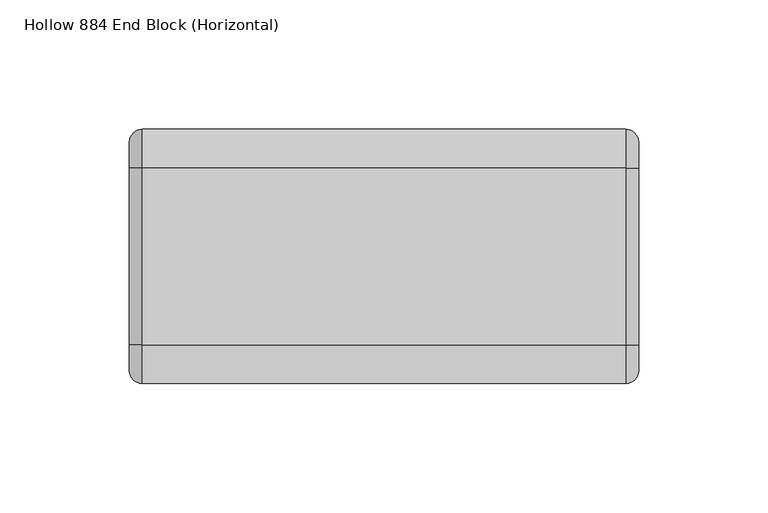
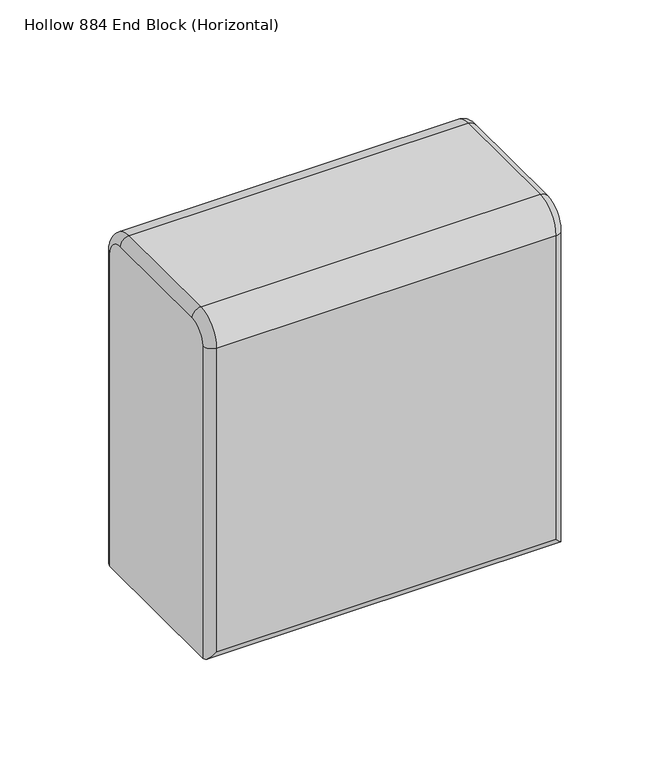
"""IFC4 building model written with IfcOpenShell, lengths in millimetres: plate geometry, Hollow 884 End Block (Horizontal)."""

import ifcopenshell
import ifcopenshell.guid

model = None  # the IFC model being written
_history = None  # IfcOwnerHistory: only IFC2X3 demands one
_inside = {}  # id of a spatial element -> (the spatial element, [elements in it])
_under = {}  # id of a project, library or spatial element -> (it, [spatial elements below it])
_declared = {}  # id of a project -> (the project, [libraries it declares])
_typed = {}  # id of a type object -> (the type object, [elements of that type])
_made_of = {}  # id of a material, layer set ... -> (it, [elements and type objects made of it])


def new_model(schema):
    """Start an empty IFC model of exactly this schema.

    Asked for "IFC4X3", IfcOpenShell would pick the latest addendum, in which some entities
    have other attributes; the version numbers below select the first issue.
    IFC2X3 requires an IfcOwnerHistory on every rooted entity: one is made here for all.
    """
    global model, _history
    if schema == "IFC4X3":
        model = ifcopenshell.file(schema_version=(4, 3, 0, 0))
    else:
        model = ifcopenshell.file(schema=schema)
    _inside.clear()
    _under.clear()
    _declared.clear()
    _typed.clear()
    _made_of.clear()
    _history = None
    if model.schema == "IFC2X3":
        org = make("IfcOrganization", Name="unknown")
        user = make(
            "IfcPersonAndOrganization",
            ThePerson=make("IfcPerson", FamilyName="unknown"),
            TheOrganization=org,
        )
        app = make(
            "IfcApplication",
            ApplicationDeveloper=org,
            Version="unknown",
            ApplicationFullName="unknown",
            ApplicationIdentifier="unknown",
        )
        _history = make(
            "IfcOwnerHistory",
            OwningUser=user,
            OwningApplication=app,
            ChangeAction="ADDED",
            CreationDate=0,
        )
    return model


def make(cls, **values):
    """One entity of the class cls with the attributes given. An attribute that is None is left unset."""
    return model.create_entity(
        cls, **{name: value for name, value in values.items() if value is not None}
    )


def rooted(cls, **values):
    """An entity with a GlobalId (a new one), such as an element, a storey or a relation."""
    return make(cls, GlobalId=ifcopenshell.guid.new(), OwnerHistory=_history, **values)


def si_unit(unit_type, name, prefix=None):
    """IfcSIUnit, for example si_unit("LENGTHUNIT", "METRE", prefix="MILLI")."""
    return make("IfcSIUnit", UnitType=unit_type, Prefix=prefix, Name=name)


def assignment(units):
    """IfcUnitAssignment: the units of a project."""
    return None if units is None else make("IfcUnitAssignment", Units=units)


def point(xyz):
    """IfcCartesianPoint."""
    return None if xyz is None else make("IfcCartesianPoint", Coordinates=xyz)


def direction(xyz):
    """IfcDirection."""
    return None if xyz is None else make("IfcDirection", DirectionRatios=xyz)


def frame(location, z_axis=None, x_axis=None):
    """IfcAxis2Placement3D, a coordinate frame: its origin and axes. An axis left out is left unset."""
    return make(
        "IfcAxis2Placement3D",
        Location=point(location),
        Axis=direction(z_axis),
        RefDirection=direction(x_axis),
    )


def origin():
    """The frame at (0, 0, 0) with its axes left unset."""
    return frame((0.0, 0.0, 0.0))


def place(relative_to, where):
    """IfcLocalPlacement: puts the frame where relative to a parent placement (None: the world)."""
    return make(
        "IfcLocalPlacement", PlacementRelTo=relative_to, RelativePlacement=where
    )


def context(
    kind, dimensions, precision=None, world=None, true_north=None, identifier=None
):
    """IfcGeometricRepresentationContext, for example the 3D "Model" context."""
    return make(
        "IfcGeometricRepresentationContext",
        ContextIdentifier=identifier,
        ContextType=kind,
        CoordinateSpaceDimension=dimensions,
        Precision=precision,
        WorldCoordinateSystem=world,
        TrueNorth=true_north,
    )


def project(units=None, contexts=None):
    """IfcProject with its units and contexts."""
    return rooted(
        "IfcProject",
        Name="project",
        RepresentationContexts=contexts,
        UnitsInContext=assignment(units),
    )


def spatial(cls, under=None, at=None, **own):
    """A site, building, storey or space (cls), placed at a placement, below another one or the project."""
    s = rooted(cls, ObjectPlacement=at, **own)
    if under is not None:
        _under.setdefault(under.id(), (under, []))[1].append(s)
    return s


def circle_curve(where, radius):
    """IfcCircle in the frame where."""
    return make("IfcCircle", Position=where, Radius=radius)


def ellipse_curve(where, semi_axis1, semi_axis2):
    """IfcEllipse in the frame where."""
    return make(
        "IfcEllipse", Position=where, SemiAxis1=semi_axis1, SemiAxis2=semi_axis2
    )


def trimmed(basis, trim1, trim2, sense, master):
    """IfcTrimmedCurve: the piece of a basis curve between two trims."""
    return make(
        "IfcTrimmedCurve",
        BasisCurve=basis,
        Trim1=trim1,
        Trim2=trim2,
        SenseAgreement=sense,
        MasterRepresentation=master,
    )


def shape(context_of_items, identifier, shape_type, items):
    """IfcShapeRepresentation: the items that make up one representation, for example the "Body"."""
    return make(
        "IfcShapeRepresentation",
        ContextOfItems=context_of_items,
        RepresentationIdentifier=identifier,
        RepresentationType=shape_type,
        Items=items,
    )


def source(mapping_origin, context_of_items, identifier, shape_type, items):
    """IfcRepresentationMap: a shape defined once, which mapped items show again and again."""
    return make(
        "IfcRepresentationMap",
        MappingOrigin=mapping_origin,
        MappedRepresentation=shape(context_of_items, identifier, shape_type, items),
    )


def transform(
    local_origin,
    x_axis=None,
    y_axis=None,
    z_axis=None,
    scale=None,
    scale2=None,
    scale3=None,
    uniform=True,
):
    """IfcCartesianTransformationOperator3D, or its non-uniform kind. x_axis, y_axis, z_axis: its Axis1, 2, 3."""
    if uniform:
        return make(
            "IfcCartesianTransformationOperator3D",
            Axis1=direction(x_axis),
            Axis2=direction(y_axis),
            LocalOrigin=point(local_origin),
            Scale=scale,
            Axis3=direction(z_axis),
        )
    return make(
        "IfcCartesianTransformationOperator3DnonUniform",
        Axis1=direction(x_axis),
        Axis2=direction(y_axis),
        LocalOrigin=point(local_origin),
        Scale=scale,
        Axis3=direction(z_axis),
        Scale2=scale2,
        Scale3=scale3,
    )


def mapped(mapping_source, mapping_target):
    """IfcMappedItem: shows the shape of a source again, moved by a transform."""
    return make(
        "IfcMappedItem", MappingSource=mapping_source, MappingTarget=mapping_target
    )


def made_of(thing, what):
    """Note that an element or type object is made of a material, layer set ...; save() writes the relation."""
    if what is not None:
        _made_of.setdefault(what.id(), (what, []))[1].append(thing)
    return thing


def element(
    cls,
    number,
    at=None,
    inside=None,
    cuts=None,
    type_object=None,
    material=None,
    context=None,
    identifier="Body",
    shape_type=None,
    held_by="IfcProductDefinitionShape",
    body=None,
    shapes=None,
    **own,
):
    """One element of the class cls, such as IfcWall. Its Tag is "e" and its number.

    at: its placement. inside: the storey or other place that contains it. cuts: it is an
    opening in that element (IfcRelVoidsElement). A single representation is given by context,
    identifier, shape_type and body (its items); several are given by shapes. held_by: the class
    of the entity that holds the representations. save() writes the other relations.
    """
    e = rooted(cls, Tag="e%d" % number, ObjectPlacement=at, **own)
    if body is not None:
        shapes = [shape(context, identifier, shape_type, body)]
    if shapes is not None:
        e.Representation = make(held_by, Representations=shapes)
    if inside is not None:
        _inside.setdefault(inside.id(), (inside, []))[1].append(e)
    if cuts is not None:
        rooted(
            "IfcRelVoidsElement", RelatingBuildingElement=cuts, RelatedOpeningElement=e
        )
    if type_object is not None:
        _typed.setdefault(type_object.id(), (type_object, []))[1].append(e)
    return made_of(e, material)


def aggregate(whole, parts):
    """IfcRelAggregates: a whole, such as a stair, and the parts it consists of."""
    return rooted("IfcRelAggregates", RelatingObject=whole, RelatedObjects=parts)


def save(model, path):
    """Write the relations noted so far, then the file.

    IfcRelAggregates (storeys below a building ...), IfcRelContainedInSpatialStructure (elements
    in a storey), IfcRelDefinesByType, IfcRelAssociatesMaterial and IfcRelDeclares: one each for
    every whole, place, type object, material and project.
    """
    for whole, parts in _under.values():
        aggregate(whole, parts)
    for where, things in _inside.values():
        rooted(
            "IfcRelContainedInSpatialStructure",
            RelatedElements=things,
            RelatingStructure=where,
        )
    for kind, things in _typed.values():
        rooted("IfcRelDefinesByType", RelatedObjects=things, RelatingType=kind)
    for what, things in _made_of.values():
        rooted("IfcRelAssociatesMaterial", RelatedObjects=things, RelatingMaterial=what)
    for by, libraries in _declared.values():
        rooted("IfcRelDeclares", RelatingContext=by, RelatedDefinitions=libraries)
    model.write(path)


def plane_surface(at):
    """IfcPlane: the flat surface through the origin of the frame at, square to its z axis."""
    return make("IfcPlane", Position=at)


def cylinder_surface(at, radius):
    """IfcCylindricalSurface: all points at the distance radius from the z axis of the frame at."""
    return make("IfcCylindricalSurface", Position=at, Radius=radius)


def revolved_surface(curve, axis_point, axis_direction):
    """IfcSurfaceOfRevolution: the curve turned about the line through axis_point along axis_direction."""
    return make(
        "IfcSurfaceOfRevolution",
        SweptCurve=make("IfcArbitraryOpenProfileDef", ProfileType="CURVE", Curve=curve),
        AxisPosition=make("IfcAxis1Placement", Location=point(axis_point), Axis=direction(axis_direction)),
    )


def advanced_brep(points, edges, surfaces, faces):
    """IfcAdvancedBrep: a solid bounded by faces that lie on surfaces and meet in shared edges.

    An edge is (start, end): straight between two places in points (the first is 0);
    or (start, end, curve); or (start, end, curve, False) where it runs against its curve.
    A face is (place in surfaces, loops), or (place, loops, False) where it looks against
    its surface's normal. A loop lists edges by number (the first is 1), with a minus sign
    where the edge is run from its end to its start. The first loop is the outer one.
    """
    corners = [point(p) for p in points]
    vertices = [make("IfcVertexPoint", VertexGeometry=c) for c in corners]
    made = []
    for start, end, *more in edges:
        made.append(
            make(
                "IfcEdgeCurve",
                EdgeStart=vertices[start],
                EdgeEnd=vertices[end],
                EdgeGeometry=more[0] if more else make("IfcPolyline", Points=[corners[start], corners[end]]),
                SameSense=more[1] if len(more) > 1 else True,
            )
        )
    hull = []
    for where, loops, *sense in faces:
        bounds = []
        for j, loop in enumerate(loops):
            ring = [make("IfcOrientedEdge", EdgeElement=made[abs(k) - 1], Orientation=k > 0) for k in loop]
            bounds.append(
                make(
                    "IfcFaceOuterBound" if j == 0 else "IfcFaceBound",
                    Bound=make("IfcEdgeLoop", EdgeList=ring),
                    Orientation=True,
                )
            )
        hull.append(make("IfcAdvancedFace", Bounds=bounds, FaceSurface=surfaces[where], SameSense=sense[0] if sense else True))
    return make("IfcAdvancedBrep", Outer=make("IfcClosedShell", CfsFaces=hull))


def hollow_884_end_block_horizontal_271bc5ed(model_context):
    return source(origin(), model_context, "Body", "AdvancedBrep", [
        advanced_brep(
        [(98.4250002, -44.2, 0.0), (98.4250002, 44.2, 0.0), (98.4250002, 44.2, 182.0), (98.4250002, 34.2, 192.0), (98.4250002, -34.2, 192.0), (98.4250002, -44.2, 182.0), (-98.4250002, 44.2, 0.0), (-98.4250002, -44.2, 0.0), (-98.4250002, -44.2, 182.0), (-98.4250002, -34.2, 192.0), (-98.4250002, 34.2, 192.0), (-98.4250002, 44.2, 182.0), (93.4250047, -49.2, 182.0), (-93.4250002, -49.2, 182.0), (-93.4250002, -49.2, 5.0), (93.4250002, -49.2, 5.0), (-93.4250047, 49.2, 182.0), (93.4250002, 49.2, 182.0), (93.4250002, 49.2, 5.0), (-93.4250002, 49.2, 5.0), (93.4250047, 34.2, 197.0), (-93.4250002, 34.2, 197.0), (-93.4250002, -34.2, 197.0), (93.4250002, -34.2, 197.0)],
        [
            (0, 1),
            (1, 2),
            (2, 3, circle_curve(frame((98.4250002, 34.2, 182.0), z_axis=(1.0, 0.0, 0.0), x_axis=(0.0, 1.0, 0.0)), 10.0)),
            (3, 4),
            (4, 5, circle_curve(frame((98.4250002, -34.2, 182.0), z_axis=(1.0, 0.0, 0.0), x_axis=(0.0, 0.0, 1.0)), 10.0)),
            (5, 0),
            (6, 7),
            (7, 8),
            (8, 9, circle_curve(frame((-98.4250002, -34.2, 182.0), z_axis=(-1.0, 0.0, 0.0), x_axis=(0.0, -1.0, 0.0)), 10.0)),
            (9, 10),
            (10, 11, circle_curve(frame((-98.4250002, 34.2, 182.0), z_axis=(-1.0, 0.0, 0.0), x_axis=(0.0, 0.0, 1.0)), 10.0)),
            (11, 6),
            (12, 13),
            (13, 14),
            (14, 15),
            (15, 12),
            (0, 7),
            (6, 1),
            (16, 17),
            (17, 18),
            (18, 19),
            (19, 16),
            (20, 21),
            (21, 22),
            (22, 23),
            (23, 20),
            (12, 23, circle_curve(frame((93.4250002, -34.2, 182.0), z_axis=(-1.0, 0.0, 0.0), x_axis=(0.0, 1.0, 0.0)), 15.0)),
            (22, 13, circle_curve(frame((-93.4250002, -34.2, 182.0), z_axis=(1.0, 0.0, 0.0), x_axis=(0.0, 1.0, 0.0)), 15.0)),
            (20, 17, circle_curve(frame((93.4250002, 34.2, 182.0), z_axis=(-1.0, 0.0, 0.0), x_axis=(0.0, 1.0, 0.0)), 15.0)),
            (16, 21, circle_curve(frame((-93.4250002, 34.2, 182.0), z_axis=(1.0, 0.0, 0.0), x_axis=(0.0, 1.0, 0.0)), 15.0)),
            (14, 7, ellipse_curve(frame((-93.4250002, -44.2, 5.0), z_axis=(0.7071067811865475, 0.0, -0.7071067811865475), x_axis=(-0.7071067811865476, 0.0, -0.7071067811865474)), 7.0710678, 5.0)),
            (0, 15, ellipse_curve(frame((93.4250002, -44.2, 5.0), z_axis=(-0.7071067811865475, 0.0, -0.7071067811865475), x_axis=(-0.7071067811865476, 0.0, 0.7071067811865474)), 7.0710678, 5.0)),
            (13, 8, circle_curve(frame((-93.4250002, -44.2, 182.0), z_axis=(0.0, 0.0, -1.0), x_axis=(-1.0, 0.0, 0.0)), 5.0)),
            (22, 9, circle_curve(frame((-93.4250002, -34.2, 192.0), z_axis=(0.0, -1.0, 0.0), x_axis=(-1.0, 0.0, 0.0)), 5.0)),
            (21, 10, circle_curve(frame((-93.4250002, 34.2, 192.0), z_axis=(0.0, -1.0, 0.0), x_axis=(-1.0, 0.0, 0.0)), 5.0)),
            (16, 11, circle_curve(frame((-93.4250002, 44.2, 182.0), z_axis=(0.0, 0.0, 1.0), x_axis=(-1.0, 0.0, 0.0)), 5.0)),
            (19, 6, ellipse_curve(frame((-93.4250002, 44.2, 5.0), z_axis=(-0.7071067811865475, 0.0, 0.7071067811865475), x_axis=(-0.7071067811865474, 0.0, -0.7071067811865476)), 7.0710678, 5.0)),
            (18, 1, ellipse_curve(frame((93.4250002, 44.2, 5.0), z_axis=(-0.7071067811865475, 0.0, -0.7071067811865475), x_axis=(0.7071067811865476, 0.0, -0.7071067811865474)), 7.0710678, 5.0)),
            (17, 2, circle_curve(frame((93.4250002, 44.2, 182.0), z_axis=(0.0, 0.0, -1.0), x_axis=(1.0, 0.0, 0.0)), 5.0)),
            (20, 3, circle_curve(frame((93.4250002, 34.2, 192.0), z_axis=(0.0, 1.0, 0.0), x_axis=(1.0, 0.0, 0.0)), 5.0)),
            (23, 4, circle_curve(frame((93.4250002, -34.2, 192.0), z_axis=(0.0, 1.0, 0.0), x_axis=(1.0, 0.0, 0.0)), 5.0)),
            (12, 5, circle_curve(frame((93.4250002, -44.2, 182.0), z_axis=(0.0, 0.0, 1.0), x_axis=(1.0, 0.0, 0.0)), 5.0)),
        ],
        [
            plane_surface(frame((98.4250002, -19.2, 182.0), z_axis=(1.0, 0.0, 0.0), x_axis=(0.0, 0.0, 1.0))),
            plane_surface(frame((-98.4250002, -19.2, 182.0), z_axis=(-1.0, 0.0, 0.0), x_axis=(0.0, 0.0, -1.0))),
            plane_surface(frame((98.4250002, -49.2, 182.0), z_axis=(0.0, -1.0, 0.0), x_axis=(-1.0, 0.0, 0.0))),
            plane_surface(frame((98.4250002, -49.2, 0.0), z_axis=(0.0, 0.0, -1.0), x_axis=(-1.0, 0.0, 0.0))),
            plane_surface(frame((98.4250002, 49.2, 0.0), z_axis=(0.0, 1.0, 0.0), x_axis=(-1.0, 0.0, 0.0))),
            plane_surface(frame((98.4250002, 34.2, 197.0), z_axis=(0.0, 0.0, 1.0), x_axis=(-1.0, 0.0, 0.0))),
            cylinder_surface(frame((-98.4250002, -34.2, 182.0), z_axis=(1.0, 0.0, 0.0), x_axis=(0.0, 1.0, 0.0)), 15.0),
            cylinder_surface(frame((-98.4250002, 34.2, 182.0), z_axis=(1.0, 0.0, 0.0), x_axis=(0.0, 1.0, 0.0)), 15.0),
            cylinder_surface(frame((98.4250002, -44.2, 5.0), z_axis=(-1.0, 0.0, 0.0), x_axis=(0.0, 0.0, -1.0)), 5.0),
            cylinder_surface(frame((-93.4250002, -44.2, 0.0), z_axis=(0.0, 0.0, 1.0), x_axis=(-1.0, 0.0, 0.0)), 5.0),
            revolved_surface(trimmed(ellipse_curve(frame((-93.4250002, -44.2, 182.0), z_axis=(0.0, 0.0, -1.0), x_axis=(-1.0, 0.0, 0.0)), 5.0, 5.0), [point((-93.4250002, -49.2, 182.0))], [point((-98.4250002, -44.2, 182.0))], True, "CARTESIAN"), (-98.4250002, -34.2, 182.0), (-1.0, 0.0, 0.0)),
            cylinder_surface(frame((-93.4250002, -34.2, 192.0), z_axis=(0.0, 1.0, 0.0), x_axis=(-1.0, 0.0, 0.0)), 5.0),
            revolved_surface(trimmed(ellipse_curve(frame((-93.4250002, 34.2, 192.0), z_axis=(0.0, -1.0, 0.0), x_axis=(-1.0, 0.0, 0.0)), 5.0, 5.0), [point((-93.4250002, 34.2, 197.0))], [point((-98.4250002, 34.2, 192.0))], True, "CARTESIAN"), (-98.4250002, 34.2, 182.0), (-1.0, 0.0, 0.0)),
            cylinder_surface(frame((-93.4250002, 44.2, 182.0), z_axis=(0.0, 0.0, -1.0), x_axis=(-1.0, 0.0, 0.0)), 5.0),
            cylinder_surface(frame((-98.4250002, 44.2, 5.0), z_axis=(1.0, 0.0, 0.0), x_axis=(0.0, 0.0, -1.0)), 5.0),
            cylinder_surface(frame((93.4250002, 44.2, 0.0), z_axis=(0.0, 0.0, 1.0), x_axis=(1.0, 0.0, 0.0)), 5.0),
            revolved_surface(trimmed(ellipse_curve(frame((93.4250002, 44.2, 182.0), z_axis=(0.0, 0.0, -1.0), x_axis=(1.0, 0.0, 0.0)), 5.0, 5.0), [point((93.4250002, 49.2, 182.0))], [point((98.4250002, 44.2, 182.0))], True, "CARTESIAN"), (98.4250002, 34.2, 182.0), (1.0, 0.0, 0.0)),
            cylinder_surface(frame((93.4250002, 34.2, 192.0), z_axis=(0.0, -1.0, 0.0), x_axis=(1.0, 0.0, 0.0)), 5.0),
            revolved_surface(trimmed(ellipse_curve(frame((93.4250002, -34.2, 192.0), z_axis=(0.0, 1.0, 0.0), x_axis=(1.0, 0.0, 0.0)), 5.0, 5.0), [point((93.4250002, -34.2, 197.0))], [point((98.4250002, -34.2, 192.0))], True, "CARTESIAN"), (98.4250002, -34.2, 182.0), (1.0, 0.0, 0.0)),
            cylinder_surface(frame((93.4250002, -44.2, 182.0), z_axis=(0.0, 0.0, -1.0), x_axis=(1.0, 0.0, 0.0)), 5.0),
        ],
        [
            (0, [[1, 2, 3, 4, 5, 6]]),
            (1, [[7, 8, 9, 10, 11, 12]]),
            (2, [[13, 14, 15, 16]]),
            (3, [[-1, 17, -7, 18]]),
            (4, [[19, 20, 21, 22]]),
            (5, [[23, 24, 25, 26]]),
            (6, [[-13, 27, -25, 28]]),
            (7, [[-23, 29, -19, 30]]),
            (8, [[31, -17, 32, -15]]),
            (9, [[-31, -14, 33, -8]]),
            (10, [[-33, -28, 34, -9]]),
            (11, [[-34, -24, 35, -10]]),
            (12, [[-35, -30, 36, -11]]),
            (13, [[-36, -22, 37, -12]]),
            (14, [[-37, -21, 38, -18]]),
            (15, [[-38, -20, 39, -2]]),
            (16, [[-39, -29, 40, -3]]),
            (17, [[-40, -26, 41, -4]]),
            (18, [[-41, -27, 42, -5]]),
            (19, [[-32, -6, -42, -16]]),
        ],
    ),
    ])


if __name__ == "__main__":
    model = new_model("IFC4")
    model_context = context("Model", 3, world=origin())
    ifc_project = project(units=[si_unit("LENGTHUNIT", "METRE", prefix="MILLI")], contexts=[model_context])
    site = spatial("IfcSite", under=ifc_project)
    building = spatial("IfcBuilding", under=site)
    placement = place(None, origin())
    hollow_884_end_block_horizontal_shape = hollow_884_end_block_horizontal_271bc5ed(model_context)
    element("IfcPlate", 1, ObjectType="Hollow 884 End Block (Horizontal)", at=placement, inside=building, context=model_context, shape_type="MappedRepresentation", body=[
        mapped(hollow_884_end_block_horizontal_shape, transform((0.0, 0.0, 0.0), x_axis=(1.0, 0.0, 0.0), y_axis=(0.0, 1.0, 0.0), z_axis=(0.0, 0.0, 1.0))),
    ])
    save(model, "model.ifc")
